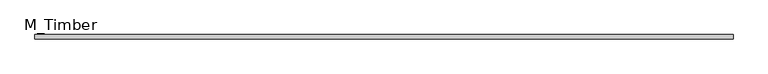
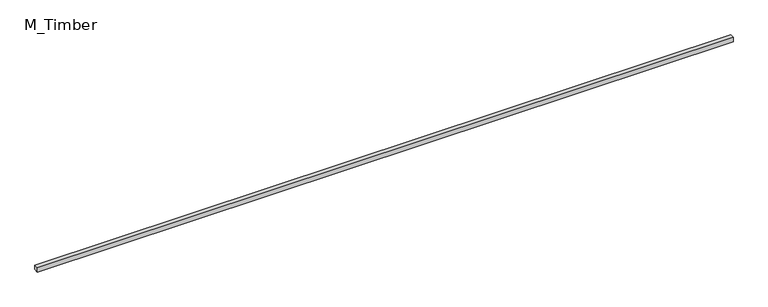
"""IFC4 building model written with IfcOpenShell, lengths in millimetres: beam geometry, M_Timber."""

from ifc_helpers import new_model, si_unit, frame, origin, place, context, project, spatial, polyline, outline, extrude, source, transform, mapped, element, save


def m_timber_b33b5c6c(model_context):
    return source(origin(), model_context, "Body", "SweptSolid", [
        extrude(outline(polyline([(3116.4044938, 20.0), (3116.4044938, -20.0), (-3116.4044938, -20.0), (-3116.4044938, 20.0), (3116.4044938, 20.0)])), frame((0.0, 0.0, -20.0), z_axis=(0.0, 0.0, 1.0), x_axis=(1.0, 0.0, 0.0)), (0.0, 0.0, 1.0), 40.0),
    ])


if __name__ == "__main__":
    model = new_model("IFC4")
    model_context = context("Model", 3, world=origin())
    ifc_project = project(units=[si_unit("LENGTHUNIT", "METRE", prefix="MILLI")], contexts=[model_context])
    site = spatial("IfcSite", under=ifc_project)
    building = spatial("IfcBuilding", under=site)
    placement = place(None, origin())
    m_timber_shape = m_timber_b33b5c6c(model_context)
    element("IfcBeam", 1, ObjectType="M_Timber", at=placement, inside=building, context=model_context, shape_type="MappedRepresentation", body=[
        mapped(m_timber_shape, transform((0.0, 0.0, 0.0), x_axis=(1.0, 0.0, 0.0), y_axis=(0.0, 1.0, 0.0), z_axis=(0.0, 0.0, 1.0))),
    ])
    save(model, "model.ifc")
